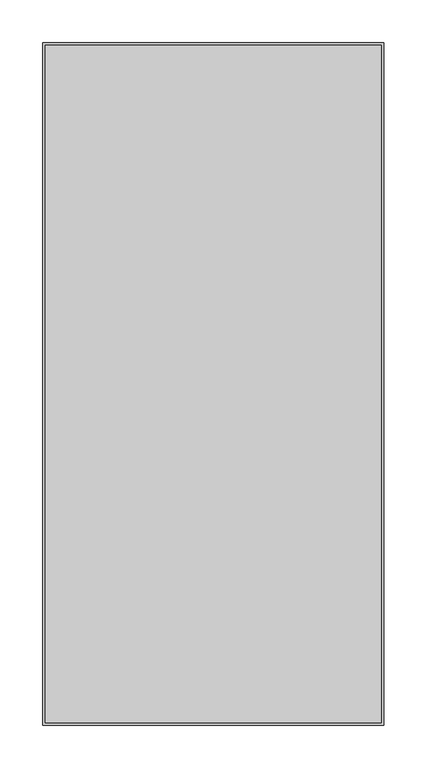
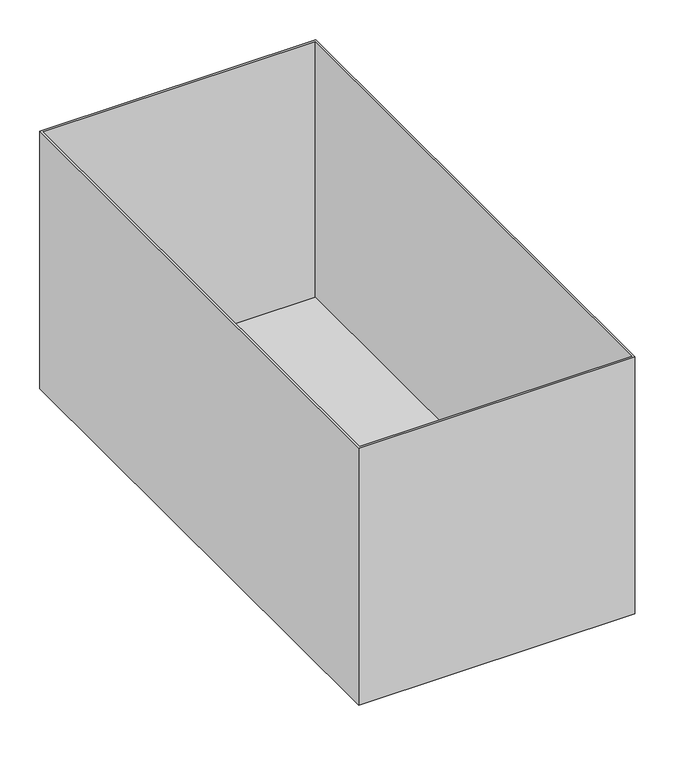
"""IFC4 building model written with IfcOpenShell, lengths in millimetres: furniture geometry."""

from ifc_helpers import new_model, si_unit, point, frame, frame_2d, origin, origin_with_axes, place, context, project, spatial, polyline, circle_curve, trimmed, segment, composite_curve, outline, extrude, faceted_brep, source, transform, mapped, element, save


def furniture_285c3393(model_context):
    return source(origin(), model_context, "Body", "SolidModel", [
        faceted_brep([(197.0, -397.0, 38.0), (197.0, 397.0, 38.0), (-197.0, 397.0, 38.0), (-197.0, -397.0, 38.0), (200.0, 400.0, 35.0), (200.0, -400.0, 35.0), (-200.0, -400.0, 35.0), (-200.0, 400.0, 35.0), (200.0, 400.0, 429.0), (-200.0, 400.0, 429.0), (-200.0, -400.0, 429.0), (200.0, -400.0, 429.0), (197.0, 397.0, 429.0), (197.0, -397.0, 429.0), (-197.0, -397.0, 429.0), (-197.0, 397.0, 429.0)], [[[0, 1, 2, 3]], [[4, 5, 6, 7]], [[8, 9, 10, 11], [12, 13, 14, 15]], [[9, 8, 4, 7]], [[10, 9, 7, 6]], [[11, 10, 6, 5]], [[8, 11, 5, 4]], [[13, 12, 1, 0]], [[14, 13, 0, 3]], [[15, 14, 3, 2]], [[12, 15, 2, 1]]]),
        extrude(outline(composite_curve([segment(trimmed(circle_curve(frame_2d((-130.0, -300.0)), 15.0), [point((-145.0, -300.0))], [point((-115.0, -300.0))], False, "CARTESIAN"), True, "CONTINUOUS"), segment(trimmed(circle_curve(frame_2d((-130.0, -300.0)), 15.0), [point((-115.0, -300.0))], [point((-145.0, -300.0))], False, "CARTESIAN"), True, "CONTINUOUS")], self_intersect=False)), origin_with_axes(), (0.0, 0.0, 1.0), 5.0),
        extrude(outline(composite_curve([segment(trimmed(circle_curve(frame_2d((-130.0, 300.0)), 15.0), [point((-145.0, 300.0))], [point((-115.0, 300.0))], False, "CARTESIAN"), True, "CONTINUOUS"), segment(trimmed(circle_curve(frame_2d((-130.0, 300.0)), 15.0), [point((-115.0, 300.0))], [point((-145.0, 300.0))], False, "CARTESIAN"), True, "CONTINUOUS")], self_intersect=False)), origin_with_axes(), (0.0, 0.0, 1.0), 5.0),
        extrude(outline(composite_curve([segment(trimmed(circle_curve(frame_2d((130.0, -300.0)), 15.0), [point((115.0, -300.0))], [point((145.0, -300.0))], False, "CARTESIAN"), True, "CONTINUOUS"), segment(trimmed(circle_curve(frame_2d((130.0, -300.0)), 15.0), [point((145.0, -300.0))], [point((115.0, -300.0))], False, "CARTESIAN"), True, "CONTINUOUS")], self_intersect=False)), origin_with_axes(), (0.0, 0.0, 1.0), 5.0),
        extrude(outline(composite_curve([segment(trimmed(circle_curve(frame_2d((130.0, 300.0)), 15.0), [point((115.0, 300.0))], [point((145.0, 300.0))], False, "CARTESIAN"), True, "CONTINUOUS"), segment(trimmed(circle_curve(frame_2d((130.0, 300.0)), 15.0), [point((145.0, 300.0))], [point((115.0, 300.0))], False, "CARTESIAN"), True, "CONTINUOUS")], self_intersect=False)), origin_with_axes(), (0.0, 0.0, 1.0), 5.0),
        extrude(outline(composite_curve([segment(trimmed(circle_curve(frame_2d((8.0, -147.0)), 3.0), [point((8.0, -150.0))], [point((5.0, -147.0))], False, "CARTESIAN"), True, "CONTINUOUS"), segment(polyline([(5.0, -147.0), (5.0, -113.0)]), True, "CONTINUOUS"), segment(trimmed(circle_curve(frame_2d((8.0, -113.0)), 3.0), [point((5.0, -113.0))], [point((8.0, -110.0))], False, "CARTESIAN"), True, "CONTINUOUS"), segment(polyline([(8.0, -110.0), (35.0, -110.0), (35.0, -113.0), (11.0, -113.0)]), True, "CONTINUOUS"), segment(trimmed(circle_curve(frame_2d((11.0, -116.0)), 3.0), [point((11.0, -113.0))], [point((8.0, -116.0))], True, "CARTESIAN"), True, "CONTINUOUS"), segment(polyline([(8.0, -116.0), (8.0, -144.0)]), True, "CONTINUOUS"), segment(trimmed(circle_curve(frame_2d((11.0, -144.0)), 3.0), [point((8.0, -144.0))], [point((11.0, -147.0))], True, "CARTESIAN"), True, "CONTINUOUS"), segment(polyline([(11.0, -147.0), (35.0, -147.0), (35.0, -150.0), (8.0, -150.0)]), True, "CONTINUOUS")], self_intersect=False)), frame((0.0, -350.0, 0.0), z_axis=(0.0, 1.0, 0.0), x_axis=(0.0, 0.0, 1.0)), (0.0, 0.0, 1.0), 700.0),
        extrude(outline(composite_curve([segment(polyline([(8.0, 150.0), (35.0, 150.0), (35.0, 147.0), (11.0, 147.0)]), True, "CONTINUOUS"), segment(trimmed(circle_curve(frame_2d((11.0, 144.0)), 3.0), [point((11.0, 147.0))], [point((8.0, 144.0))], True, "CARTESIAN"), True, "CONTINUOUS"), segment(polyline([(8.0, 144.0), (8.0, 116.0)]), True, "CONTINUOUS"), segment(trimmed(circle_curve(frame_2d((11.0, 116.0)), 3.0), [point((8.0, 116.0))], [point((11.0, 113.0))], True, "CARTESIAN"), True, "CONTINUOUS"), segment(polyline([(11.0, 113.0), (35.0, 113.0), (35.0, 110.0), (8.0, 110.0)]), True, "CONTINUOUS"), segment(trimmed(circle_curve(frame_2d((8.0, 113.0)), 3.0), [point((8.0, 110.0))], [point((5.0, 113.0))], False, "CARTESIAN"), True, "CONTINUOUS"), segment(polyline([(5.0, 113.0), (5.0, 147.0)]), True, "CONTINUOUS"), segment(trimmed(circle_curve(frame_2d((8.0, 147.0)), 3.0), [point((5.0, 147.0))], [point((8.0, 150.0))], False, "CARTESIAN"), True, "CONTINUOUS")], self_intersect=False)), frame((0.0, -350.0, 0.0), z_axis=(0.0, 1.0, 0.0), x_axis=(0.0, 0.0, 1.0)), (0.0, 0.0, 1.0), 700.0),
    ])


if __name__ == "__main__":
    model = new_model("IFC4")
    model_context = context("Model", 3, world=origin())
    ifc_project = project(units=[si_unit("LENGTHUNIT", "METRE", prefix="MILLI")], contexts=[model_context])
    site = spatial("IfcSite", under=ifc_project)
    building = spatial("IfcBuilding", under=site)
    placement = place(None, origin())
    furniture_shape = furniture_285c3393(model_context)
    element("IfcFurniture", 1, at=placement, inside=building, context=model_context, shape_type="MappedRepresentation", body=[
        mapped(furniture_shape, transform((0.0, 0.0, 0.0), x_axis=(1.0, 0.0, 0.0), y_axis=(0.0, 1.0, 0.0), z_axis=(0.0, 0.0, 1.0))),
    ])
    save(model, "model.ifc")
